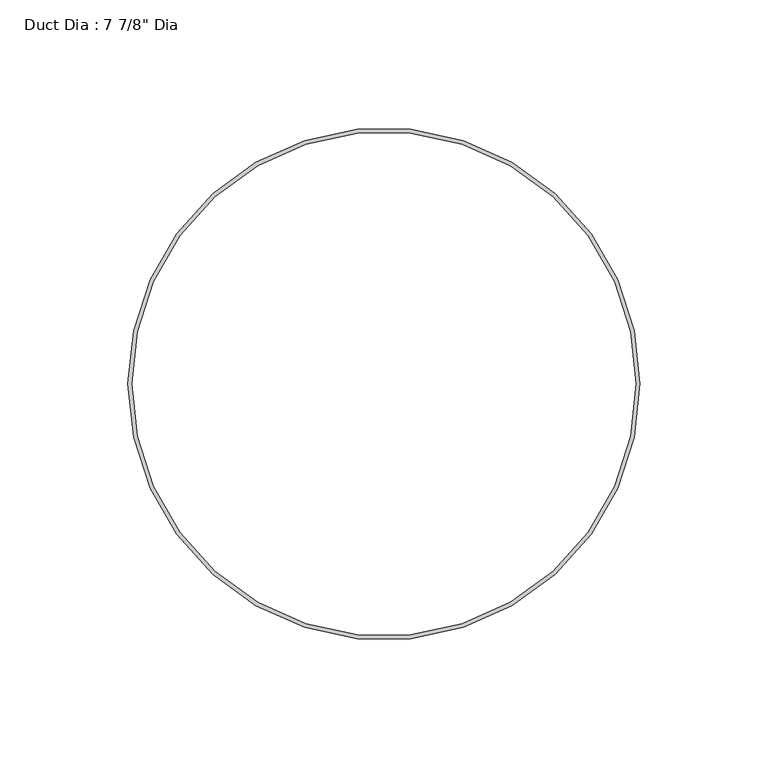
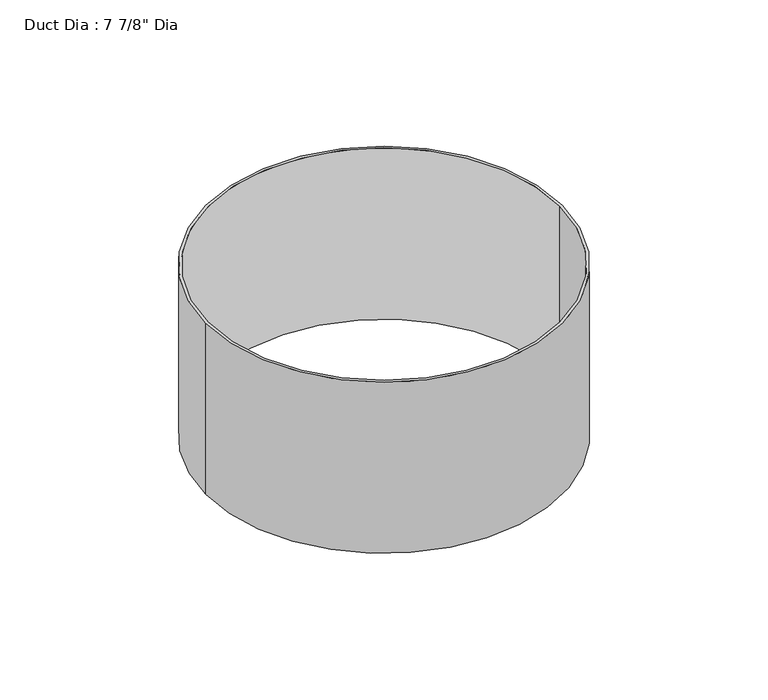
"""IFC4 building model written with IfcOpenShell, lengths in millimetres: proxy geometry."""

import ifcopenshell
import ifcopenshell.guid

model = None  # the IFC model being written
_history = None  # IfcOwnerHistory: only IFC2X3 demands one
_inside = {}  # id of a spatial element -> (the spatial element, [elements in it])
_under = {}  # id of a project, library or spatial element -> (it, [spatial elements below it])
_declared = {}  # id of a project -> (the project, [libraries it declares])
_typed = {}  # id of a type object -> (the type object, [elements of that type])
_made_of = {}  # id of a material, layer set ... -> (it, [elements and type objects made of it])


def new_model(schema):
    """Start an empty IFC model of exactly this schema.

    Asked for "IFC4X3", IfcOpenShell would pick the latest addendum, in which some entities
    have other attributes; the version numbers below select the first issue.
    IFC2X3 requires an IfcOwnerHistory on every rooted entity: one is made here for all.
    """
    global model, _history
    if schema == "IFC4X3":
        model = ifcopenshell.file(schema_version=(4, 3, 0, 0))
    else:
        model = ifcopenshell.file(schema=schema)
    _inside.clear()
    _under.clear()
    _declared.clear()
    _typed.clear()
    _made_of.clear()
    _history = None
    if model.schema == "IFC2X3":
        org = make("IfcOrganization", Name="unknown")
        user = make(
            "IfcPersonAndOrganization",
            ThePerson=make("IfcPerson", FamilyName="unknown"),
            TheOrganization=org,
        )
        app = make(
            "IfcApplication",
            ApplicationDeveloper=org,
            Version="unknown",
            ApplicationFullName="unknown",
            ApplicationIdentifier="unknown",
        )
        _history = make(
            "IfcOwnerHistory",
            OwningUser=user,
            OwningApplication=app,
            ChangeAction="ADDED",
            CreationDate=0,
        )
    return model


def make(cls, **values):
    """One entity of the class cls with the attributes given. An attribute that is None is left unset."""
    return model.create_entity(
        cls, **{name: value for name, value in values.items() if value is not None}
    )


def rooted(cls, **values):
    """An entity with a GlobalId (a new one), such as an element, a storey or a relation."""
    return make(cls, GlobalId=ifcopenshell.guid.new(), OwnerHistory=_history, **values)


def si_unit(unit_type, name, prefix=None):
    """IfcSIUnit, for example si_unit("LENGTHUNIT", "METRE", prefix="MILLI")."""
    return make("IfcSIUnit", UnitType=unit_type, Prefix=prefix, Name=name)


def assignment(units):
    """IfcUnitAssignment: the units of a project."""
    return None if units is None else make("IfcUnitAssignment", Units=units)


def point(xyz):
    """IfcCartesianPoint."""
    return None if xyz is None else make("IfcCartesianPoint", Coordinates=xyz)


def direction(xyz):
    """IfcDirection."""
    return None if xyz is None else make("IfcDirection", DirectionRatios=xyz)


def frame(location, z_axis=None, x_axis=None):
    """IfcAxis2Placement3D, a coordinate frame: its origin and axes. An axis left out is left unset."""
    return make(
        "IfcAxis2Placement3D",
        Location=point(location),
        Axis=direction(z_axis),
        RefDirection=direction(x_axis),
    )


def frame_2d(location, x_axis=None):
    """IfcAxis2Placement2D, a coordinate frame in the plane: its origin and x axis."""
    return make(
        "IfcAxis2Placement2D", Location=point(location), RefDirection=direction(x_axis)
    )


def origin():
    """The frame at (0, 0, 0) with its axes left unset."""
    return frame((0.0, 0.0, 0.0))


def origin_with_axes():
    """The frame at (0, 0, 0) with the z axis (0, 0, 1) and the x axis (1, 0, 0) written out."""
    return frame((0.0, 0.0, 0.0), z_axis=(0.0, 0.0, 1.0), x_axis=(1.0, 0.0, 0.0))


def origin_2d():
    """The frame at (0, 0) in the plane with its x axis left unset."""
    return frame_2d((0.0, 0.0))


def place(relative_to, where):
    """IfcLocalPlacement: puts the frame where relative to a parent placement (None: the world)."""
    return make(
        "IfcLocalPlacement", PlacementRelTo=relative_to, RelativePlacement=where
    )


def context(
    kind, dimensions, precision=None, world=None, true_north=None, identifier=None
):
    """IfcGeometricRepresentationContext, for example the 3D "Model" context."""
    return make(
        "IfcGeometricRepresentationContext",
        ContextIdentifier=identifier,
        ContextType=kind,
        CoordinateSpaceDimension=dimensions,
        Precision=precision,
        WorldCoordinateSystem=world,
        TrueNorth=true_north,
    )


def project(units=None, contexts=None):
    """IfcProject with its units and contexts."""
    return rooted(
        "IfcProject",
        Name="project",
        RepresentationContexts=contexts,
        UnitsInContext=assignment(units),
    )


def spatial(cls, under=None, at=None, **own):
    """A site, building, storey or space (cls), placed at a placement, below another one or the project."""
    s = rooted(cls, ObjectPlacement=at, **own)
    if under is not None:
        _under.setdefault(under.id(), (under, []))[1].append(s)
    return s


def circle_curve(where, radius):
    """IfcCircle in the frame where."""
    return make("IfcCircle", Position=where, Radius=radius)


def trimmed(basis, trim1, trim2, sense, master):
    """IfcTrimmedCurve: the piece of a basis curve between two trims."""
    return make(
        "IfcTrimmedCurve",
        BasisCurve=basis,
        Trim1=trim1,
        Trim2=trim2,
        SenseAgreement=sense,
        MasterRepresentation=master,
    )


def segment(curve, same_sense, transition):
    """IfcCompositeCurveSegment."""
    return make(
        "IfcCompositeCurveSegment",
        Transition=transition,
        SameSense=same_sense,
        ParentCurve=curve,
    )


def composite_curve(segments, self_intersect=None):
    """IfcCompositeCurve: segments joined end to end."""
    return make("IfcCompositeCurve", Segments=segments, SelfIntersect=self_intersect)


def outline(outer, holes=None, kind="AREA"):
    """IfcArbitraryClosedProfileDef: a profile drawn as a closed curve; with holes, ...WithVoids."""
    if holes is None:
        return make("IfcArbitraryClosedProfileDef", ProfileType=kind, OuterCurve=outer)
    return make(
        "IfcArbitraryProfileDefWithVoids",
        ProfileType=kind,
        OuterCurve=outer,
        InnerCurves=holes,
    )


def extrude(swept, where, along, depth):
    """IfcExtrudedAreaSolid: the profile swept, set in the frame where, extruded along a direction by depth."""
    return make(
        "IfcExtrudedAreaSolid",
        SweptArea=swept,
        Position=where,
        ExtrudedDirection=direction(along),
        Depth=depth,
    )


def shape(context_of_items, identifier, shape_type, items):
    """IfcShapeRepresentation: the items that make up one representation, for example the "Body"."""
    return make(
        "IfcShapeRepresentation",
        ContextOfItems=context_of_items,
        RepresentationIdentifier=identifier,
        RepresentationType=shape_type,
        Items=items,
    )


def source(mapping_origin, context_of_items, identifier, shape_type, items):
    """IfcRepresentationMap: a shape defined once, which mapped items show again and again."""
    return make(
        "IfcRepresentationMap",
        MappingOrigin=mapping_origin,
        MappedRepresentation=shape(context_of_items, identifier, shape_type, items),
    )


def transform(
    local_origin,
    x_axis=None,
    y_axis=None,
    z_axis=None,
    scale=None,
    scale2=None,
    scale3=None,
    uniform=True,
):
    """IfcCartesianTransformationOperator3D, or its non-uniform kind. x_axis, y_axis, z_axis: its Axis1, 2, 3."""
    if uniform:
        return make(
            "IfcCartesianTransformationOperator3D",
            Axis1=direction(x_axis),
            Axis2=direction(y_axis),
            LocalOrigin=point(local_origin),
            Scale=scale,
            Axis3=direction(z_axis),
        )
    return make(
        "IfcCartesianTransformationOperator3DnonUniform",
        Axis1=direction(x_axis),
        Axis2=direction(y_axis),
        LocalOrigin=point(local_origin),
        Scale=scale,
        Axis3=direction(z_axis),
        Scale2=scale2,
        Scale3=scale3,
    )


def mapped(mapping_source, mapping_target):
    """IfcMappedItem: shows the shape of a source again, moved by a transform."""
    return make(
        "IfcMappedItem", MappingSource=mapping_source, MappingTarget=mapping_target
    )


def made_of(thing, what):
    """Note that an element or type object is made of a material, layer set ...; save() writes the relation."""
    if what is not None:
        _made_of.setdefault(what.id(), (what, []))[1].append(thing)
    return thing


def element(
    cls,
    number,
    at=None,
    inside=None,
    cuts=None,
    type_object=None,
    material=None,
    context=None,
    identifier="Body",
    shape_type=None,
    held_by="IfcProductDefinitionShape",
    body=None,
    shapes=None,
    **own,
):
    """One element of the class cls, such as IfcWall. Its Tag is "e" and its number.

    at: its placement. inside: the storey or other place that contains it. cuts: it is an
    opening in that element (IfcRelVoidsElement). A single representation is given by context,
    identifier, shape_type and body (its items); several are given by shapes. held_by: the class
    of the entity that holds the representations. save() writes the other relations.
    """
    e = rooted(cls, Tag="e%d" % number, ObjectPlacement=at, **own)
    if body is not None:
        shapes = [shape(context, identifier, shape_type, body)]
    if shapes is not None:
        e.Representation = make(held_by, Representations=shapes)
    if inside is not None:
        _inside.setdefault(inside.id(), (inside, []))[1].append(e)
    if cuts is not None:
        rooted(
            "IfcRelVoidsElement", RelatingBuildingElement=cuts, RelatedOpeningElement=e
        )
    if type_object is not None:
        _typed.setdefault(type_object.id(), (type_object, []))[1].append(e)
    return made_of(e, material)


def aggregate(whole, parts):
    """IfcRelAggregates: a whole, such as a stair, and the parts it consists of."""
    return rooted("IfcRelAggregates", RelatingObject=whole, RelatedObjects=parts)


def save(model, path):
    """Write the relations noted so far, then the file.

    IfcRelAggregates (storeys below a building ...), IfcRelContainedInSpatialStructure (elements
    in a storey), IfcRelDefinesByType, IfcRelAssociatesMaterial and IfcRelDeclares: one each for
    every whole, place, type object, material and project.
    """
    for whole, parts in _under.values():
        aggregate(whole, parts)
    for where, things in _inside.values():
        rooted(
            "IfcRelContainedInSpatialStructure",
            RelatedElements=things,
            RelatingStructure=where,
        )
    for kind, things in _typed.values():
        rooted("IfcRelDefinesByType", RelatedObjects=things, RelatingType=kind)
    for what, things in _made_of.values():
        rooted("IfcRelAssociatesMaterial", RelatedObjects=things, RelatingMaterial=what)
    for by, libraries in _declared.values():
        rooted("IfcRelDeclares", RelatingContext=by, RelatedDefinitions=libraries)
    model.write(path)


def proxy_5643af6b(model_context):
    return source(origin(), model_context, "Body", "SweptSolid", [
        extrude(outline(composite_curve([segment(trimmed(circle_curve(origin_2d(), 100.0125), [point((-100.0125, 0.0))], [point((100.0125, 0.0))], False, "CARTESIAN"), True, "CONTINUOUS"), segment(trimmed(circle_curve(origin_2d(), 100.0125), [point((100.0125, 0.0))], [point((-100.0125, 0.0))], False, "CARTESIAN"), True, "CONTINUOUS")], self_intersect=False), holes=[composite_curve([segment(trimmed(circle_curve(origin_2d(), 98.425), [point((-98.425, 0.0))], [point((98.425, 0.0))], True, "CARTESIAN"), True, "CONTINUOUS"), segment(trimmed(circle_curve(origin_2d(), 98.425), [point((98.425, 0.0))], [point((-98.425, 0.0))], True, "CARTESIAN"), True, "CONTINUOUS")], self_intersect=False)]), origin_with_axes(), (0.0, 0.0, 1.0), 101.6),
    ])


if __name__ == "__main__":
    model = new_model("IFC4")
    model_context = context("Model", 3, world=origin())
    ifc_project = project(units=[si_unit("LENGTHUNIT", "METRE", prefix="MILLI")], contexts=[model_context])
    site = spatial("IfcSite", under=ifc_project)
    building = spatial("IfcBuilding", under=site)
    placement = place(None, origin())
    proxy_shape = proxy_5643af6b(model_context)
    element("IfcBuildingElementProxy", 1, Name="Duct Dia : 7 7/8\" Dia", ObjectType="Duct Dia : 7 7/8\" Dia", at=placement, inside=building, context=model_context, shape_type="MappedRepresentation", body=[
        mapped(proxy_shape, transform((0.0, 0.0, 0.0), x_axis=(1.0, 0.0, 0.0), y_axis=(0.0, 1.0, 0.0), z_axis=(0.0, 0.0, 1.0))),
    ])
    save(model, "model.ifc")
